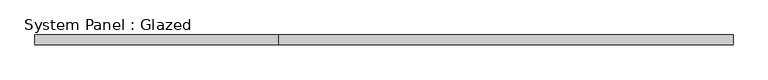
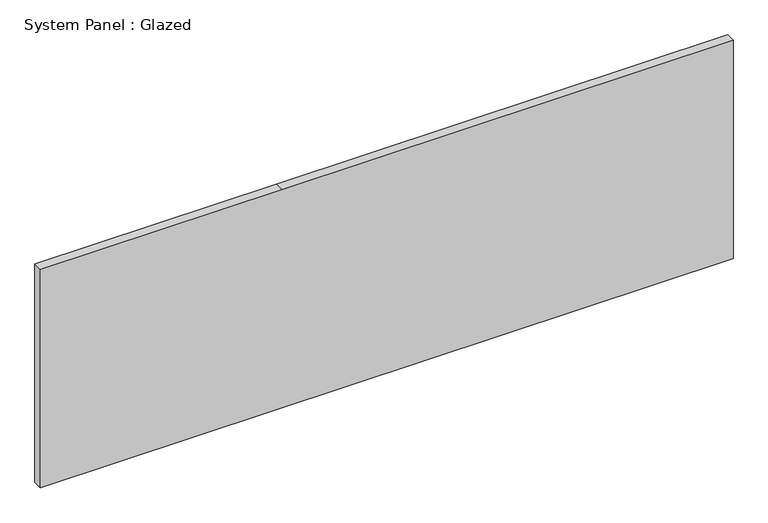
"""IFC4 building model written with IfcOpenShell, lengths in millimetres: plate geometry, System Panel : Glazed."""

from ifc_helpers import new_model, si_unit, frame, origin, place, context, project, spatial, polyline, outline, extrude, source, transform, mapped, element, save


def system_panel_glazed_d1aecaf3(model_context):
    return source(origin(), model_context, "Body", "SweptSolid", [
        extrude(outline(polyline([(0.0, -914.4), (0.0, 914.4), (609.6, 914.4), (609.6, -276.3179186), (609.6, -914.4), (0.0, -914.4)])), frame((0.0, 19.05, 0.0), z_axis=(0.0, 1.0, 0.0), x_axis=(0.0, 0.0, 1.0)), (0.0, 0.0, 1.0), 25.4),
    ])


if __name__ == "__main__":
    model = new_model("IFC4")
    model_context = context("Model", 3, world=origin())
    ifc_project = project(units=[si_unit("LENGTHUNIT", "METRE", prefix="MILLI")], contexts=[model_context])
    site = spatial("IfcSite", under=ifc_project)
    building = spatial("IfcBuilding", under=site)
    placement = place(None, origin())
    system_panel_glazed_shape = system_panel_glazed_d1aecaf3(model_context)
    element("IfcPlate", 1, ObjectType="System Panel : Glazed", at=placement, inside=building, context=model_context, shape_type="MappedRepresentation", body=[
        mapped(system_panel_glazed_shape, transform((0.0, 0.0, 0.0), x_axis=(1.0, 0.0, 0.0), y_axis=(0.0, 1.0, 0.0), z_axis=(0.0, 0.0, 1.0))),
    ])
    save(model, "model.ifc")
